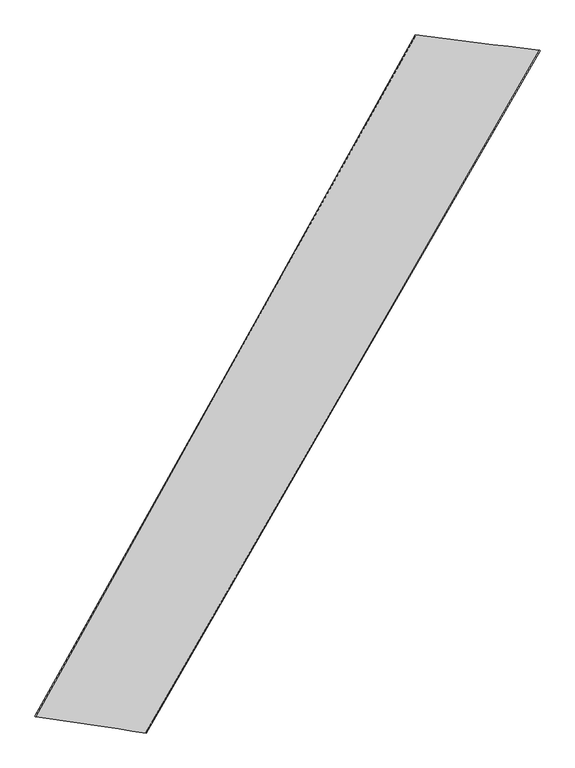
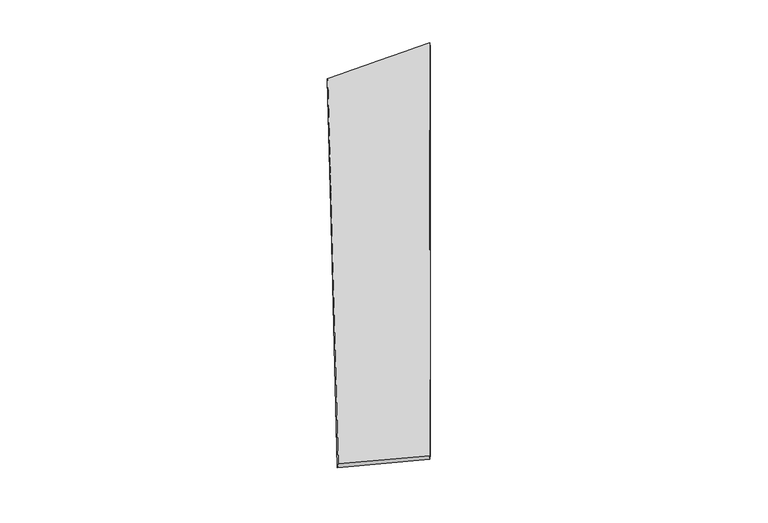
"""IFC4 building model written with IfcOpenShell, lengths in millimetres: proxy geometry."""

from ifc_helpers import new_model, si_unit, origin, place, context, project, spatial, source, transform, mapped, element, save
from ifc_brep_helpers import spline_surface, advanced_brep


def generic_models_3483afb9(model_context):
    return source(origin(), model_context, "Body", "AdvancedBrep", [
        advanced_brep(
        [(-685.5029952, -1736.6075879, -47.4097869), (-689.6658785, -1733.5029446, -76.9568949), (1486.0407891, 2027.5038047, 13.0219424), (1482.5261916, 2028.8144401, 42.786516), (-1299.629679, -1644.4978407, 17.9311682), (801.7536681, 2111.3369497, -72.6501685), (-1295.3737999, -1646.153673, 47.5815597), (798.3506035, 2113.9468208, -42.9582887)],
        [
            (0, 1),
            (1, 2),
            (2, 3),
            (3, 0),
            (1, 4),
            (4, 5),
            (5, 2),
            (4, 6),
            (6, 7),
            (7, 5),
            (6, 0),
            (3, 7),
        ],
        [
            spline_surface(1, 1, [[(-685.5029952, -1736.6075879, -47.4097869), (1482.5261916, 2028.8144401, 42.786516)], [(-689.6658785, -1733.5029446, -76.9568949), (1486.0407891, 2027.5038047, 13.0219424)]], [2, 2], [2, 2], [0.0, 1.0], [0.0, 1.0]),
            spline_surface(1, 1, [[(-689.6658785, -1733.5029446, -76.9568949), (1486.0407891, 2027.5038047, 13.0219424)], [(-1299.629679, -1644.4978407, 17.9311682), (801.7536681, 2111.3369497, -72.6501685)]], [2, 2], [2, 2], [0.0, 1.0], [0.0, 1.0]),
            spline_surface(1, 1, [[(-1299.629679, -1644.4978407, 17.9311682), (801.7536681, 2111.3369497, -72.6501685)], [(-1295.3737999, -1646.153673, 47.5815597), (798.3506035, 2113.9468208, -42.9582887)]], [2, 2], [2, 2], [0.0, 1.0], [0.0, 1.0]),
            spline_surface(1, 1, [[(-1295.3737999, -1646.153673, 47.5815597), (798.3506035, 2113.9468208, -42.9582887)], [(-685.5029952, -1736.6075879, -47.4097869), (1482.5261916, 2028.8144401, 42.786516)]], [2, 2], [2, 2], [0.0, 1.0], [0.0, 1.0]),
            spline_surface(1, 1, [[(1486.0407891, 2027.5038047, 13.0219424), (1482.5261916, 2028.8144401, 42.786516)], [(801.7536681, 2111.3369497, -72.6501685), (798.3506035, 2113.9468208, -42.9582887)]], [2, 2], [2, 2], [0.0, 1.0], [0.0, 1.0]),
            spline_surface(1, 1, [[(-1295.3737999, -1646.153673, 47.5815597), (-685.5029952, -1736.6075879, -47.4097869)], [(-1299.629679, -1644.4978407, 17.9311682), (-689.6658785, -1733.5029446, -76.9568949)]], [2, 2], [2, 2], [0.0, 1.0], [0.0, 1.0]),
        ],
        [
            (0, [[1, 2, 3, 4]]),
            (1, [[5, 6, 7, -2]]),
            (2, [[8, 9, 10, -6]]),
            (3, [[11, -4, 12, -9]]),
            (4, [[-3, -7, -10, -12]]),
            (5, [[-11, -8, -5, -1]]),
        ],
    ),
    ])


if __name__ == "__main__":
    model = new_model("IFC4")
    model_context = context("Model", 3, world=origin())
    ifc_project = project(units=[si_unit("LENGTHUNIT", "METRE", prefix="MILLI")], contexts=[model_context])
    site = spatial("IfcSite", under=ifc_project)
    building = spatial("IfcBuilding", under=site)
    placement = place(None, origin())
    generic_models_shape = generic_models_3483afb9(model_context)
    element("IfcBuildingElementProxy", 1, Name="Generic Models", at=placement, inside=building, context=model_context, shape_type="MappedRepresentation", body=[
        mapped(generic_models_shape, transform((0.0, 0.0, 0.0), x_axis=(1.0, 0.0, 0.0), y_axis=(0.0, 1.0, 0.0), z_axis=(0.0, 0.0, 1.0))),
    ])
    save(model, "model.ifc")
